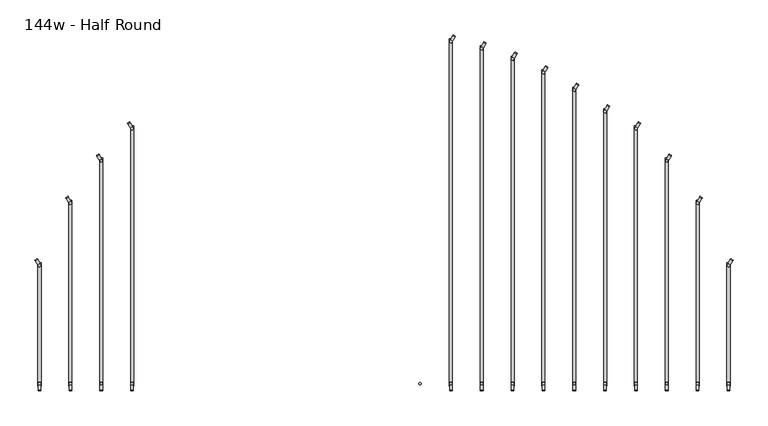
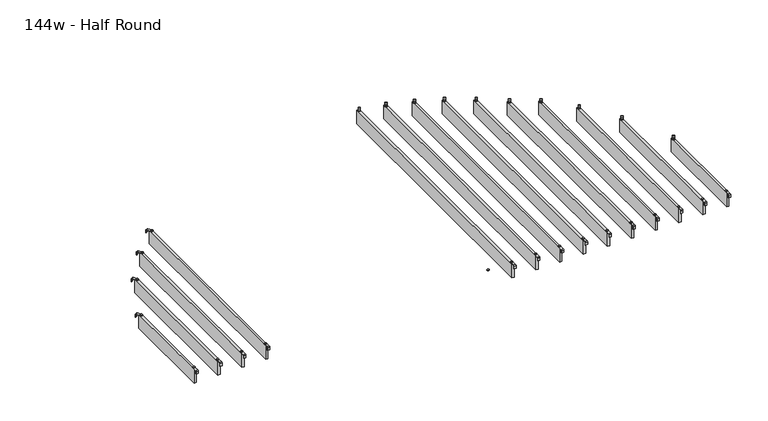
"""IFC4 building model written with IfcOpenShell, lengths in millimetres: furniture geometry, 144w - Half Round."""

from ifc_helpers import new_model, si_unit, point, frame, frame_2d, origin, place, context, project, spatial, polyline, circle_curve, trimmed, segment, composite_curve, outline, extrude, source, transform, mapped, element, save


def furniture_144w_half_round_df257ffa(model_context):
    return source(origin(), model_context, "Body", "SweptSolid", [
        extrude(outline(composite_curve([segment(trimmed(circle_curve(frame_2d((-1.0160034, 0.0159996)), 1.016), [point((-1.0160034, -1.0000004))], [point((-3.4e-06, 0.0159996))], True, "CARTESIAN"), True, "CONTINUOUS"), segment(polyline([(-3.4e-06, 0.0159996), (-3.4e-06, 36.7785168), (2.5329992, 36.7785168), (2.5329992, 0.022999)]), True, "CONTINUOUS"), segment(trimmed(circle_curve(frame_2d((-1.1500008, 0.022999)), 3.683), [point((2.5329992, 0.022999))], [point((-1.1500008, -3.660001))], False, "CARTESIAN"), True, "CONTINUOUS"), segment(polyline([(-1.1500008, -3.660001), (-19.0498319, -3.660001), (-19.0498319, -1.0000004), (-1.0160034, -1.0000004)]), True, "CONTINUOUS")], self_intersect=False)), frame((-1684.5791648, -1611.2848262, 2438.4), z_axis=(0.8660254037843622, 0.5000000000001326, 0.0), x_axis=(0.0, 0.0, 1.0)), (0.0, 0.0, 1.0), 13.0000002),
        extrude(outline(composite_curve([segment(trimmed(circle_curve(frame_2d((-1663.7, -2218.9346)), 5.9838099), [point((-1663.7, -2212.9507901))], [point((-1663.7, -2224.9184099))], False, "CARTESIAN"), True, "CONTINUOUS"), segment(trimmed(circle_curve(frame_2d((-1663.7, -2218.9346)), 5.9838099), [point((-1663.7, -2224.9184099))], [point((-1663.7, -2212.9507901))], False, "CARTESIAN"), True, "CONTINUOUS")], self_intersect=False)), frame((0.0, 0.0, 2440.9329992), z_axis=(0.0, 0.0, 1.0), x_axis=(1.0, 0.0, 0.0)), (0.0, 0.0, 1.0), 3.4400008),
        extrude(outline(composite_curve([segment(trimmed(circle_curve(frame_2d((-1663.7, -1634.4486)), 5.9838099), [point((-1663.7, -1640.4324099))], [point((-1663.7, -1628.4647901))], False, "CARTESIAN"), True, "CONTINUOUS"), segment(trimmed(circle_curve(frame_2d((-1663.7, -1634.4486)), 5.9838099), [point((-1663.7, -1628.4647901))], [point((-1663.7, -1640.4324099))], False, "CARTESIAN"), True, "CONTINUOUS")], self_intersect=False)), frame((0.0, 0.0, 2440.9329992), z_axis=(0.0, 0.0, 1.0), x_axis=(1.0, 0.0, 0.0)), (0.0, 0.0, 1.0), 3.4400008),
        extrude(outline(composite_curve([segment(polyline([(-2253.0946, 2419.2231711), (-2253.0946, 2437.2499992)]), True, "CONTINUOUS"), segment(trimmed(circle_curve(frame_2d((-2249.4116, 2437.2499992)), 3.683), [point((-2253.0946, 2437.2499992))], [point((-2249.4116, 2440.9329992))], False, "CARTESIAN"), True, "CONTINUOUS"), segment(polyline([(-2249.4116, 2440.9329992), (-2212.4346, 2440.9329992), (-2212.4346, 2438.2729997), (-2249.4251568, 2438.2729997)]), True, "CONTINUOUS"), segment(trimmed(circle_curve(frame_2d((-2249.4251568, 2437.2635571)), 1.0094425), [point((-2249.4251568, 2438.2729997))], [point((-2250.4345993, 2437.2635571))], True, "CARTESIAN"), True, "CONTINUOUS"), segment(polyline([(-2250.4345993, 2437.2635571), (-2250.4345993, 2419.2231711), (-2253.0946, 2419.2231711)]), True, "CONTINUOUS")], self_intersect=False)), frame((-1670.1930003, 0.0, 0.0), z_axis=(1.0, 0.0, 0.0), x_axis=(0.0, 1.0, 0.0)), (0.0, 0.0, 1.0), 13.0),
        extrude(outline(polyline([(-1671.193, -1620.7486), (-1656.207, -1620.7486), (-1656.207, -2232.6346), (-1671.193, -2232.6346), (-1671.193, -1620.7486)])), frame((0.0, 0.0, 2346.198), z_axis=(0.0, 0.0, 1.0), x_axis=(1.0, 0.0, 0.0)), (0.0, 0.0, 1.0), 92.202),
        extrude(outline(composite_curve([segment(trimmed(circle_curve(frame_2d((-1.0160034, 0.0159996)), 1.016), [point((-1.0160034, -1.0000004))], [point((-3.4e-06, 0.0159996))], True, "CARTESIAN"), True, "CONTINUOUS"), segment(polyline([(-3.4e-06, 0.0159996), (-3.4e-06, 36.7785168), (2.5329992, 36.7785168), (2.5329992, 0.022999)]), True, "CONTINUOUS"), segment(trimmed(circle_curve(frame_2d((-1.1500008, 0.022999)), 3.683), [point((2.5329992, 0.022999))], [point((-1.1500008, -3.660001))], False, "CARTESIAN"), True, "CONTINUOUS"), segment(polyline([(-1.1500008, -3.660001), (-19.0498319, -3.660001), (-19.0498319, -1.0000004), (-1.0160034, -1.0000004)]), True, "CONTINUOUS")], self_intersect=False)), frame((-1532.1791648, -1303.1828262, 2438.4), z_axis=(0.8660254037843622, 0.5000000000001326, 0.0), x_axis=(0.0, 0.0, 1.0)), (0.0, 0.0, 1.0), 13.0000002),
        extrude(outline(composite_curve([segment(trimmed(circle_curve(frame_2d((-1511.3, -2218.9346)), 5.9838099), [point((-1511.3, -2212.9507901))], [point((-1511.3, -2224.9184099))], False, "CARTESIAN"), True, "CONTINUOUS"), segment(trimmed(circle_curve(frame_2d((-1511.3, -2218.9346)), 5.9838099), [point((-1511.3, -2224.9184099))], [point((-1511.3, -2212.9507901))], False, "CARTESIAN"), True, "CONTINUOUS")], self_intersect=False)), frame((0.0, 0.0, 2440.9329992), z_axis=(0.0, 0.0, 1.0), x_axis=(1.0, 0.0, 0.0)), (0.0, 0.0, 1.0), 3.4400008),
        extrude(outline(composite_curve([segment(trimmed(circle_curve(frame_2d((-1511.3, -1326.3466)), 5.9838099), [point((-1511.3, -1332.3304099))], [point((-1511.3, -1320.3627901))], False, "CARTESIAN"), True, "CONTINUOUS"), segment(trimmed(circle_curve(frame_2d((-1511.3, -1326.3466)), 5.9838099), [point((-1511.3, -1320.3627901))], [point((-1511.3, -1332.3304099))], False, "CARTESIAN"), True, "CONTINUOUS")], self_intersect=False)), frame((0.0, 0.0, 2440.9329992), z_axis=(0.0, 0.0, 1.0), x_axis=(1.0, 0.0, 0.0)), (0.0, 0.0, 1.0), 3.4400008),
        extrude(outline(composite_curve([segment(polyline([(-2253.0946, 2419.2231711), (-2253.0946, 2437.2499992)]), True, "CONTINUOUS"), segment(trimmed(circle_curve(frame_2d((-2249.4116, 2437.2499992)), 3.683), [point((-2253.0946, 2437.2499992))], [point((-2249.4116, 2440.9329992))], False, "CARTESIAN"), True, "CONTINUOUS"), segment(polyline([(-2249.4116, 2440.9329992), (-2212.4346, 2440.9329992), (-2212.4346, 2438.2729997), (-2249.4251568, 2438.2729997)]), True, "CONTINUOUS"), segment(trimmed(circle_curve(frame_2d((-2249.4251568, 2437.2635571)), 1.0094425), [point((-2249.4251568, 2438.2729997))], [point((-2250.4345993, 2437.2635571))], True, "CARTESIAN"), True, "CONTINUOUS"), segment(polyline([(-2250.4345993, 2437.2635571), (-2250.4345993, 2419.2231711), (-2253.0946, 2419.2231711)]), True, "CONTINUOUS")], self_intersect=False)), frame((-1517.7930003, 0.0, 0.0), z_axis=(1.0, 0.0, 0.0), x_axis=(0.0, 1.0, 0.0)), (0.0, 0.0, 1.0), 13.0),
        extrude(outline(polyline([(-1518.793, -1312.6466), (-1503.807, -1312.6466), (-1503.807, -2232.6346), (-1518.793, -2232.6346), (-1518.793, -1312.6466)])), frame((0.0, 0.0, 2346.198), z_axis=(0.0, 0.0, 1.0), x_axis=(1.0, 0.0, 0.0)), (0.0, 0.0, 1.0), 92.202),
        extrude(outline(composite_curve([segment(trimmed(circle_curve(frame_2d((-1.0160034, 0.0159996)), 1.016), [point((-1.0160034, -1.0000004))], [point((-3.4e-06, 0.0159996))], True, "CARTESIAN"), True, "CONTINUOUS"), segment(polyline([(-3.4e-06, 0.0159996), (-3.4e-06, 36.7785168), (2.5329992, 36.7785168), (2.5329992, 0.022999)]), True, "CONTINUOUS"), segment(trimmed(circle_curve(frame_2d((-1.1500008, 0.022999)), 3.683), [point((2.5329992, 0.022999))], [point((-1.1500008, -3.660001))], False, "CARTESIAN"), True, "CONTINUOUS"), segment(polyline([(-1.1500008, -3.660001), (-19.0498319, -3.660001), (-19.0498319, -1.0000004), (-1.0160034, -1.0000004)]), True, "CONTINUOUS")], self_intersect=False)), frame((-1379.7791648, -1094.2424262, 2438.4), z_axis=(0.8660254037843622, 0.5000000000001326, 0.0), x_axis=(0.0, 0.0, 1.0)), (0.0, 0.0, 1.0), 13.0000002),
        extrude(outline(composite_curve([segment(trimmed(circle_curve(frame_2d((-1358.9, -2218.9346)), 5.9838099), [point((-1358.9, -2212.9507901))], [point((-1358.9, -2224.9184099))], False, "CARTESIAN"), True, "CONTINUOUS"), segment(trimmed(circle_curve(frame_2d((-1358.9, -2218.9346)), 5.9838099), [point((-1358.9, -2224.9184099))], [point((-1358.9, -2212.9507901))], False, "CARTESIAN"), True, "CONTINUOUS")], self_intersect=False)), frame((0.0, 0.0, 2440.9329992), z_axis=(0.0, 0.0, 1.0), x_axis=(1.0, 0.0, 0.0)), (0.0, 0.0, 1.0), 3.4400008),
        extrude(outline(composite_curve([segment(trimmed(circle_curve(frame_2d((-1358.9, -1117.4062)), 5.9838099), [point((-1358.9, -1123.3900099))], [point((-1358.9, -1111.4223901))], False, "CARTESIAN"), True, "CONTINUOUS"), segment(trimmed(circle_curve(frame_2d((-1358.9, -1117.4062)), 5.9838099), [point((-1358.9, -1111.4223901))], [point((-1358.9, -1123.3900099))], False, "CARTESIAN"), True, "CONTINUOUS")], self_intersect=False)), frame((0.0, 0.0, 2440.9329992), z_axis=(0.0, 0.0, 1.0), x_axis=(1.0, 0.0, 0.0)), (0.0, 0.0, 1.0), 3.4400008),
        extrude(outline(composite_curve([segment(polyline([(-2253.0946, 2419.2231711), (-2253.0946, 2437.2499992)]), True, "CONTINUOUS"), segment(trimmed(circle_curve(frame_2d((-2249.4116, 2437.2499992)), 3.683), [point((-2253.0946, 2437.2499992))], [point((-2249.4116, 2440.9329992))], False, "CARTESIAN"), True, "CONTINUOUS"), segment(polyline([(-2249.4116, 2440.9329992), (-2212.4346, 2440.9329992), (-2212.4346, 2438.2729997), (-2249.4251568, 2438.2729997)]), True, "CONTINUOUS"), segment(trimmed(circle_curve(frame_2d((-2249.4251568, 2437.2635571)), 1.0094425), [point((-2249.4251568, 2438.2729997))], [point((-2250.4345993, 2437.2635571))], True, "CARTESIAN"), True, "CONTINUOUS"), segment(polyline([(-2250.4345993, 2437.2635571), (-2250.4345993, 2419.2231711), (-2253.0946, 2419.2231711)]), True, "CONTINUOUS")], self_intersect=False)), frame((-1365.3930003, 0.0, 0.0), z_axis=(1.0, 0.0, 0.0), x_axis=(0.0, 1.0, 0.0)), (0.0, 0.0, 1.0), 13.0),
        extrude(outline(polyline([(-1366.393, -1103.7062), (-1351.407, -1103.7062), (-1351.407, -2232.6346), (-1366.393, -2232.6346), (-1366.393, -1103.7062)])), frame((0.0, 0.0, 2346.198), z_axis=(0.0, 0.0, 1.0), x_axis=(1.0, 0.0, 0.0)), (0.0, 0.0, 1.0), 92.202),
        extrude(outline(composite_curve([segment(trimmed(circle_curve(frame_2d((-1.0160034, 0.0159996)), 1.016), [point((-1.0160034, -1.0000004))], [point((-3.4e-06, 0.0159996))], True, "CARTESIAN"), True, "CONTINUOUS"), segment(polyline([(-3.4e-06, 0.0159996), (-3.4e-06, 36.7785168), (2.5329992, 36.7785168), (2.5329992, 0.022999)]), True, "CONTINUOUS"), segment(trimmed(circle_curve(frame_2d((-1.1500008, 0.022999)), 3.683), [point((2.5329992, 0.022999))], [point((-1.1500008, -3.660001))], False, "CARTESIAN"), True, "CONTINUOUS"), segment(polyline([(-1.1500008, -3.660001), (-19.0498319, -3.660001), (-19.0498319, -1.0000004), (-1.0160034, -1.0000004)]), True, "CONTINUOUS")], self_intersect=False)), frame((-1227.3791648, -935.7464262, 2438.4), z_axis=(0.8660254037843622, 0.5000000000001326, 0.0), x_axis=(0.0, 0.0, 1.0)), (0.0, 0.0, 1.0), 13.0000002),
        extrude(outline(composite_curve([segment(trimmed(circle_curve(frame_2d((-1206.5, -2218.9346)), 5.9838099), [point((-1206.5, -2212.9507901))], [point((-1206.5, -2224.9184099))], False, "CARTESIAN"), True, "CONTINUOUS"), segment(trimmed(circle_curve(frame_2d((-1206.5, -2218.9346)), 5.9838099), [point((-1206.5, -2224.9184099))], [point((-1206.5, -2212.9507901))], False, "CARTESIAN"), True, "CONTINUOUS")], self_intersect=False)), frame((0.0, 0.0, 2440.9329992), z_axis=(0.0, 0.0, 1.0), x_axis=(1.0, 0.0, 0.0)), (0.0, 0.0, 1.0), 3.4400008),
        extrude(outline(composite_curve([segment(trimmed(circle_curve(frame_2d((-1206.5, -958.9102)), 5.9838099), [point((-1206.5, -964.8940099))], [point((-1206.5, -952.9263901))], False, "CARTESIAN"), True, "CONTINUOUS"), segment(trimmed(circle_curve(frame_2d((-1206.5, -958.9102)), 5.9838099), [point((-1206.5, -952.9263901))], [point((-1206.5, -964.8940099))], False, "CARTESIAN"), True, "CONTINUOUS")], self_intersect=False)), frame((0.0, 0.0, 2440.9329992), z_axis=(0.0, 0.0, 1.0), x_axis=(1.0, 0.0, 0.0)), (0.0, 0.0, 1.0), 3.4400008),
        extrude(outline(composite_curve([segment(polyline([(-2253.0946, 2419.2231711), (-2253.0946, 2437.2499992)]), True, "CONTINUOUS"), segment(trimmed(circle_curve(frame_2d((-2249.4116, 2437.2499992)), 3.683), [point((-2253.0946, 2437.2499992))], [point((-2249.4116, 2440.9329992))], False, "CARTESIAN"), True, "CONTINUOUS"), segment(polyline([(-2249.4116, 2440.9329992), (-2212.4346, 2440.9329992), (-2212.4346, 2438.2729997), (-2249.4251568, 2438.2729997)]), True, "CONTINUOUS"), segment(trimmed(circle_curve(frame_2d((-2249.4251568, 2437.2635571)), 1.0094425), [point((-2249.4251568, 2438.2729997))], [point((-2250.4345993, 2437.2635571))], True, "CARTESIAN"), True, "CONTINUOUS"), segment(polyline([(-2250.4345993, 2437.2635571), (-2250.4345993, 2419.2231711), (-2253.0946, 2419.2231711)]), True, "CONTINUOUS")], self_intersect=False)), frame((-1212.9930003, 0.0, 0.0), z_axis=(1.0, 0.0, 0.0), x_axis=(0.0, 1.0, 0.0)), (0.0, 0.0, 1.0), 13.0),
        extrude(outline(polyline([(-1213.993, -945.2102), (-1199.007, -945.2102), (-1199.007, -2232.6346), (-1213.993, -2232.6346), (-1213.993, -945.2102)])), frame((0.0, 0.0, 2346.198), z_axis=(0.0, 0.0, 1.0), x_axis=(1.0, 0.0, 0.0)), (0.0, 0.0, 1.0), 92.202),
        extrude(outline(composite_curve([segment(polyline([(-1.0160034, 1.0000004), (-19.0498319, 1.0000004), (-19.0498319, 3.660001), (-1.1500008, 3.660001)]), True, "CONTINUOUS"), segment(trimmed(circle_curve(frame_2d((-1.1500008, -0.022999)), 3.683), [point((-1.1500008, 3.660001))], [point((2.5329992, -0.022999))], False, "CARTESIAN"), True, "CONTINUOUS"), segment(polyline([(2.5329992, -0.022999), (2.5329992, -36.7785168), (-3.4e-06, -36.7785168), (-3.4e-06, -0.0159996)]), True, "CONTINUOUS"), segment(trimmed(circle_curve(frame_2d((-1.0160034, -0.0159996)), 1.016), [point((-3.4e-06, -0.0159996))], [point((-1.0160034, 1.0000004))], True, "CARTESIAN"), True, "CONTINUOUS")], self_intersect=False)), frame((1760.7791648, -1611.2848262, 2438.4), z_axis=(-0.8660254037843622, 0.5000000000001326, 0.0), x_axis=(0.0, 0.0, 1.0)), (0.0, 0.0, 1.0), 13.0000002),
        extrude(outline(composite_curve([segment(trimmed(circle_curve(frame_2d((1739.9, -2218.9346)), 5.9838099), [point((1739.9, -2212.9507901))], [point((1739.9, -2224.9184099))], False, "CARTESIAN"), True, "CONTINUOUS"), segment(trimmed(circle_curve(frame_2d((1739.9, -2218.9346)), 5.9838099), [point((1739.9, -2224.9184099))], [point((1739.9, -2212.9507901))], False, "CARTESIAN"), True, "CONTINUOUS")], self_intersect=False)), frame((0.0, 0.0, 2440.9329992), z_axis=(0.0, 0.0, 1.0), x_axis=(1.0, 0.0, 0.0)), (0.0, 0.0, 1.0), 3.4400008),
        extrude(outline(composite_curve([segment(trimmed(circle_curve(frame_2d((1739.9, -1634.4486)), 5.9838099), [point((1739.9, -1640.4324099))], [point((1739.9, -1628.4647901))], False, "CARTESIAN"), True, "CONTINUOUS"), segment(trimmed(circle_curve(frame_2d((1739.9, -1634.4486)), 5.9838099), [point((1739.9, -1628.4647901))], [point((1739.9, -1640.4324099))], False, "CARTESIAN"), True, "CONTINUOUS")], self_intersect=False)), frame((0.0, 0.0, 2440.9329992), z_axis=(0.0, 0.0, 1.0), x_axis=(1.0, 0.0, 0.0)), (0.0, 0.0, 1.0), 3.4400008),
        extrude(outline(composite_curve([segment(polyline([(-2253.0946, 2419.2231711), (-2253.0946, 2437.2499992)]), True, "CONTINUOUS"), segment(trimmed(circle_curve(frame_2d((-2249.4116, 2437.2499992)), 3.683), [point((-2253.0946, 2437.2499992))], [point((-2249.4116, 2440.9329992))], False, "CARTESIAN"), True, "CONTINUOUS"), segment(polyline([(-2249.4116, 2440.9329992), (-2212.4346, 2440.9329992), (-2212.4346, 2438.2729997), (-2249.4251568, 2438.2729997)]), True, "CONTINUOUS"), segment(trimmed(circle_curve(frame_2d((-2249.4251568, 2437.2635571)), 1.0094425), [point((-2249.4251568, 2438.2729997))], [point((-2250.4345993, 2437.2635571))], True, "CARTESIAN"), True, "CONTINUOUS"), segment(polyline([(-2250.4345993, 2437.2635571), (-2250.4345993, 2419.2231711), (-2253.0946, 2419.2231711)]), True, "CONTINUOUS")], self_intersect=False)), frame((1733.3930003, 0.0, 0.0), z_axis=(1.0, 0.0, 0.0), x_axis=(0.0, 1.0, 0.0)), (0.0, 0.0, 1.0), 13.0),
        extrude(outline(polyline([(1747.393, -1620.7486), (1747.393, -2232.6346), (1732.407, -2232.6346), (1732.407, -1620.7486), (1747.393, -1620.7486)])), frame((0.0, 0.0, 2346.198), z_axis=(0.0, 0.0, 1.0), x_axis=(1.0, 0.0, 0.0)), (0.0, 0.0, 1.0), 92.202),
        extrude(outline(composite_curve([segment(polyline([(-1.0160034, 1.0000004), (-19.0498319, 1.0000004), (-19.0498319, 3.660001), (-1.1500008, 3.660001)]), True, "CONTINUOUS"), segment(trimmed(circle_curve(frame_2d((-1.1500008, -0.022999)), 3.683), [point((-1.1500008, 3.660001))], [point((2.5329992, -0.022999))], False, "CARTESIAN"), True, "CONTINUOUS"), segment(polyline([(2.5329992, -0.022999), (2.5329992, -36.7785168), (-3.4e-06, -36.7785168), (-3.4e-06, -0.0159996)]), True, "CONTINUOUS"), segment(trimmed(circle_curve(frame_2d((-1.0160034, -0.0159996)), 1.016), [point((-3.4e-06, -0.0159996))], [point((-1.0160034, 1.0000004))], True, "CARTESIAN"), True, "CONTINUOUS")], self_intersect=False)), frame((1608.3791648, -1303.1828262, 2438.4), z_axis=(-0.8660254037843622, 0.5000000000001326, 0.0), x_axis=(0.0, 0.0, 1.0)), (0.0, 0.0, 1.0), 13.0000002),
        extrude(outline(composite_curve([segment(trimmed(circle_curve(frame_2d((1587.5, -2218.9346)), 5.9838099), [point((1587.5, -2212.9507901))], [point((1587.5, -2224.9184099))], False, "CARTESIAN"), True, "CONTINUOUS"), segment(trimmed(circle_curve(frame_2d((1587.5, -2218.9346)), 5.9838099), [point((1587.5, -2224.9184099))], [point((1587.5, -2212.9507901))], False, "CARTESIAN"), True, "CONTINUOUS")], self_intersect=False)), frame((0.0, 0.0, 2440.9329992), z_axis=(0.0, 0.0, 1.0), x_axis=(1.0, 0.0, 0.0)), (0.0, 0.0, 1.0), 3.4400008),
        extrude(outline(composite_curve([segment(trimmed(circle_curve(frame_2d((1587.5, -1326.3466)), 5.9838099), [point((1587.5, -1332.3304099))], [point((1587.5, -1320.3627901))], False, "CARTESIAN"), True, "CONTINUOUS"), segment(trimmed(circle_curve(frame_2d((1587.5, -1326.3466)), 5.9838099), [point((1587.5, -1320.3627901))], [point((1587.5, -1332.3304099))], False, "CARTESIAN"), True, "CONTINUOUS")], self_intersect=False)), frame((0.0, 0.0, 2440.9329992), z_axis=(0.0, 0.0, 1.0), x_axis=(1.0, 0.0, 0.0)), (0.0, 0.0, 1.0), 3.4400008),
        extrude(outline(composite_curve([segment(polyline([(-2253.0946, 2419.2231711), (-2253.0946, 2437.2499992)]), True, "CONTINUOUS"), segment(trimmed(circle_curve(frame_2d((-2249.4116, 2437.2499992)), 3.683), [point((-2253.0946, 2437.2499992))], [point((-2249.4116, 2440.9329992))], False, "CARTESIAN"), True, "CONTINUOUS"), segment(polyline([(-2249.4116, 2440.9329992), (-2212.4346, 2440.9329992), (-2212.4346, 2438.2729997), (-2249.4251568, 2438.2729997)]), True, "CONTINUOUS"), segment(trimmed(circle_curve(frame_2d((-2249.4251568, 2437.2635571)), 1.0094425), [point((-2249.4251568, 2438.2729997))], [point((-2250.4345993, 2437.2635571))], True, "CARTESIAN"), True, "CONTINUOUS"), segment(polyline([(-2250.4345993, 2437.2635571), (-2250.4345993, 2419.2231711), (-2253.0946, 2419.2231711)]), True, "CONTINUOUS")], self_intersect=False)), frame((1580.9930003, 0.0, 0.0), z_axis=(1.0, 0.0, 0.0), x_axis=(0.0, 1.0, 0.0)), (0.0, 0.0, 1.0), 13.0),
        extrude(outline(polyline([(1594.993, -1312.6466), (1594.993, -2232.6346), (1580.007, -2232.6346), (1580.007, -1312.6466), (1594.993, -1312.6466)])), frame((0.0, 0.0, 2346.198), z_axis=(0.0, 0.0, 1.0), x_axis=(1.0, 0.0, 0.0)), (0.0, 0.0, 1.0), 92.202),
        extrude(outline(composite_curve([segment(polyline([(-1.0160034, 1.0000004), (-19.0498319, 1.0000004), (-19.0498319, 3.660001), (-1.1500008, 3.660001)]), True, "CONTINUOUS"), segment(trimmed(circle_curve(frame_2d((-1.1500008, -0.022999)), 3.683), [point((-1.1500008, 3.660001))], [point((2.5329992, -0.022999))], False, "CARTESIAN"), True, "CONTINUOUS"), segment(polyline([(2.5329992, -0.022999), (2.5329992, -36.7785168), (-3.4e-06, -36.7785168), (-3.4e-06, -0.0159996)]), True, "CONTINUOUS"), segment(trimmed(circle_curve(frame_2d((-1.0160034, -0.0159996)), 1.016), [point((-3.4e-06, -0.0159996))], [point((-1.0160034, 1.0000004))], True, "CARTESIAN"), True, "CONTINUOUS")], self_intersect=False)), frame((1455.9791648, -1094.2424262, 2438.4), z_axis=(-0.8660254037843622, 0.5000000000001326, 0.0), x_axis=(0.0, 0.0, 1.0)), (0.0, 0.0, 1.0), 13.0000002),
        extrude(outline(composite_curve([segment(trimmed(circle_curve(frame_2d((1435.1, -2218.9346)), 5.9838099), [point((1435.1, -2212.9507901))], [point((1435.1, -2224.9184099))], False, "CARTESIAN"), True, "CONTINUOUS"), segment(trimmed(circle_curve(frame_2d((1435.1, -2218.9346)), 5.9838099), [point((1435.1, -2224.9184099))], [point((1435.1, -2212.9507901))], False, "CARTESIAN"), True, "CONTINUOUS")], self_intersect=False)), frame((0.0, 0.0, 2440.9329992), z_axis=(0.0, 0.0, 1.0), x_axis=(1.0, 0.0, 0.0)), (0.0, 0.0, 1.0), 3.4400008),
        extrude(outline(composite_curve([segment(trimmed(circle_curve(frame_2d((1435.1, -1117.4062)), 5.9838099), [point((1435.1, -1123.3900099))], [point((1435.1, -1111.4223901))], False, "CARTESIAN"), True, "CONTINUOUS"), segment(trimmed(circle_curve(frame_2d((1435.1, -1117.4062)), 5.9838099), [point((1435.1, -1111.4223901))], [point((1435.1, -1123.3900099))], False, "CARTESIAN"), True, "CONTINUOUS")], self_intersect=False)), frame((0.0, 0.0, 2440.9329992), z_axis=(0.0, 0.0, 1.0), x_axis=(1.0, 0.0, 0.0)), (0.0, 0.0, 1.0), 3.4400008),
        extrude(outline(composite_curve([segment(polyline([(-2253.0946, 2419.2231711), (-2253.0946, 2437.2499992)]), True, "CONTINUOUS"), segment(trimmed(circle_curve(frame_2d((-2249.4116, 2437.2499992)), 3.683), [point((-2253.0946, 2437.2499992))], [point((-2249.4116, 2440.9329992))], False, "CARTESIAN"), True, "CONTINUOUS"), segment(polyline([(-2249.4116, 2440.9329992), (-2212.4346, 2440.9329992), (-2212.4346, 2438.2729997), (-2249.4251568, 2438.2729997)]), True, "CONTINUOUS"), segment(trimmed(circle_curve(frame_2d((-2249.4251568, 2437.2635571)), 1.0094425), [point((-2249.4251568, 2438.2729997))], [point((-2250.4345993, 2437.2635571))], True, "CARTESIAN"), True, "CONTINUOUS"), segment(polyline([(-2250.4345993, 2437.2635571), (-2250.4345993, 2419.2231711), (-2253.0946, 2419.2231711)]), True, "CONTINUOUS")], self_intersect=False)), frame((1428.5930003, 0.0, 0.0), z_axis=(1.0, 0.0, 0.0), x_axis=(0.0, 1.0, 0.0)), (0.0, 0.0, 1.0), 13.0),
        extrude(outline(polyline([(1442.593, -1103.7062), (1442.593, -2232.6346), (1427.607, -2232.6346), (1427.607, -1103.7062), (1442.593, -1103.7062)])), frame((0.0, 0.0, 2346.198), z_axis=(0.0, 0.0, 1.0), x_axis=(1.0, 0.0, 0.0)), (0.0, 0.0, 1.0), 92.202),
        extrude(outline(composite_curve([segment(polyline([(-1.0160034, 1.0000004), (-19.0498319, 1.0000004), (-19.0498319, 3.660001), (-1.1500008, 3.660001)]), True, "CONTINUOUS"), segment(trimmed(circle_curve(frame_2d((-1.1500008, -0.022999)), 3.683), [point((-1.1500008, 3.660001))], [point((2.5329992, -0.022999))], False, "CARTESIAN"), True, "CONTINUOUS"), segment(polyline([(2.5329992, -0.022999), (2.5329992, -36.7785168), (-3.4e-06, -36.7785168), (-3.4e-06, -0.0159996)]), True, "CONTINUOUS"), segment(trimmed(circle_curve(frame_2d((-1.0160034, -0.0159996)), 1.016), [point((-3.4e-06, -0.0159996))], [point((-1.0160034, 1.0000004))], True, "CARTESIAN"), True, "CONTINUOUS")], self_intersect=False)), frame((1303.5791648, -935.7464262, 2438.4), z_axis=(-0.8660254037843622, 0.5000000000001326, 0.0), x_axis=(0.0, 0.0, 1.0)), (0.0, 0.0, 1.0), 13.0000002),
        extrude(outline(composite_curve([segment(trimmed(circle_curve(frame_2d((1282.7, -2218.9346)), 5.9838099), [point((1282.7, -2212.9507901))], [point((1282.7, -2224.9184099))], False, "CARTESIAN"), True, "CONTINUOUS"), segment(trimmed(circle_curve(frame_2d((1282.7, -2218.9346)), 5.9838099), [point((1282.7, -2224.9184099))], [point((1282.7, -2212.9507901))], False, "CARTESIAN"), True, "CONTINUOUS")], self_intersect=False)), frame((0.0, 0.0, 2440.9329992), z_axis=(0.0, 0.0, 1.0), x_axis=(1.0, 0.0, 0.0)), (0.0, 0.0, 1.0), 3.4400008),
        extrude(outline(composite_curve([segment(trimmed(circle_curve(frame_2d((1282.7, -958.9102)), 5.9838099), [point((1282.7, -964.8940099))], [point((1282.7, -952.9263901))], False, "CARTESIAN"), True, "CONTINUOUS"), segment(trimmed(circle_curve(frame_2d((1282.7, -958.9102)), 5.9838099), [point((1282.7, -952.9263901))], [point((1282.7, -964.8940099))], False, "CARTESIAN"), True, "CONTINUOUS")], self_intersect=False)), frame((0.0, 0.0, 2440.9329992), z_axis=(0.0, 0.0, 1.0), x_axis=(1.0, 0.0, 0.0)), (0.0, 0.0, 1.0), 3.4400008),
        extrude(outline(composite_curve([segment(polyline([(-2253.0946, 2419.2231711), (-2253.0946, 2437.2499992)]), True, "CONTINUOUS"), segment(trimmed(circle_curve(frame_2d((-2249.4116, 2437.2499992)), 3.683), [point((-2253.0946, 2437.2499992))], [point((-2249.4116, 2440.9329992))], False, "CARTESIAN"), True, "CONTINUOUS"), segment(polyline([(-2249.4116, 2440.9329992), (-2212.4346, 2440.9329992), (-2212.4346, 2438.2729997), (-2249.4251568, 2438.2729997)]), True, "CONTINUOUS"), segment(trimmed(circle_curve(frame_2d((-2249.4251568, 2437.2635571)), 1.0094425), [point((-2249.4251568, 2438.2729997))], [point((-2250.4345993, 2437.2635571))], True, "CARTESIAN"), True, "CONTINUOUS"), segment(polyline([(-2250.4345993, 2437.2635571), (-2250.4345993, 2419.2231711), (-2253.0946, 2419.2231711)]), True, "CONTINUOUS")], self_intersect=False)), frame((1276.1930003, 0.0, 0.0), z_axis=(1.0, 0.0, 0.0), x_axis=(0.0, 1.0, 0.0)), (0.0, 0.0, 1.0), 13.0),
        extrude(outline(polyline([(1290.193, -945.2102), (1290.193, -2232.6346), (1275.207, -2232.6346), (1275.207, -945.2102), (1290.193, -945.2102)])), frame((0.0, 0.0, 2346.198), z_axis=(0.0, 0.0, 1.0), x_axis=(1.0, 0.0, 0.0)), (0.0, 0.0, 1.0), 92.202),
        extrude(outline(composite_curve([segment(polyline([(-1.0160034, 1.0000004), (-19.0498319, 1.0000004), (-19.0498319, 3.660001), (-1.1500008, 3.660001)]), True, "CONTINUOUS"), segment(trimmed(circle_curve(frame_2d((-1.1500008, -0.022999)), 3.683), [point((-1.1500008, 3.660001))], [point((2.5329992, -0.022999))], False, "CARTESIAN"), True, "CONTINUOUS"), segment(polyline([(2.5329992, -0.022999), (2.5329992, -36.7785168), (-3.4e-06, -36.7785168), (-3.4e-06, -0.0159996)]), True, "CONTINUOUS"), segment(trimmed(circle_curve(frame_2d((-1.0160034, -0.0159996)), 1.016), [point((-3.4e-06, -0.0159996))], [point((-1.0160034, 1.0000004))], True, "CARTESIAN"), True, "CONTINUOUS")], self_intersect=False)), frame((1151.1791648, -850.6564262, 2438.4), z_axis=(-0.8660254037843622, 0.5000000000001326, 0.0), x_axis=(0.0, 0.0, 1.0)), (0.0, 0.0, 1.0), 13.0000002),
        extrude(outline(composite_curve([segment(trimmed(circle_curve(frame_2d((1130.3, -2218.9346)), 5.9838099), [point((1130.3, -2212.9507901))], [point((1130.3, -2224.9184099))], False, "CARTESIAN"), True, "CONTINUOUS"), segment(trimmed(circle_curve(frame_2d((1130.3, -2218.9346)), 5.9838099), [point((1130.3, -2224.9184099))], [point((1130.3, -2212.9507901))], False, "CARTESIAN"), True, "CONTINUOUS")], self_intersect=False)), frame((0.0, 0.0, 2440.9329992), z_axis=(0.0, 0.0, 1.0), x_axis=(1.0, 0.0, 0.0)), (0.0, 0.0, 1.0), 3.4400008),
        extrude(outline(composite_curve([segment(trimmed(circle_curve(frame_2d((1130.3, -873.8202)), 5.9838099), [point((1130.3, -879.8040099))], [point((1130.3, -867.8363901))], False, "CARTESIAN"), True, "CONTINUOUS"), segment(trimmed(circle_curve(frame_2d((1130.3, -873.8202)), 5.9838099), [point((1130.3, -867.8363901))], [point((1130.3, -879.8040099))], False, "CARTESIAN"), True, "CONTINUOUS")], self_intersect=False)), frame((0.0, 0.0, 2440.9329992), z_axis=(0.0, 0.0, 1.0), x_axis=(1.0, 0.0, 0.0)), (0.0, 0.0, 1.0), 3.4400008),
        extrude(outline(composite_curve([segment(polyline([(-2253.0946, 2419.2231711), (-2253.0946, 2437.2499992)]), True, "CONTINUOUS"), segment(trimmed(circle_curve(frame_2d((-2249.4116, 2437.2499992)), 3.683), [point((-2253.0946, 2437.2499992))], [point((-2249.4116, 2440.9329992))], False, "CARTESIAN"), True, "CONTINUOUS"), segment(polyline([(-2249.4116, 2440.9329992), (-2212.4346, 2440.9329992), (-2212.4346, 2438.2729997), (-2249.4251568, 2438.2729997)]), True, "CONTINUOUS"), segment(trimmed(circle_curve(frame_2d((-2249.4251568, 2437.2635571)), 1.0094425), [point((-2249.4251568, 2438.2729997))], [point((-2250.4345993, 2437.2635571))], True, "CARTESIAN"), True, "CONTINUOUS"), segment(polyline([(-2250.4345993, 2437.2635571), (-2250.4345993, 2419.2231711), (-2253.0946, 2419.2231711)]), True, "CONTINUOUS")], self_intersect=False)), frame((1123.7930003, 0.0, 0.0), z_axis=(1.0, 0.0, 0.0), x_axis=(0.0, 1.0, 0.0)), (0.0, 0.0, 1.0), 13.0),
        extrude(outline(polyline([(1137.793, -860.1202), (1137.793, -2232.6346), (1122.807, -2232.6346), (1122.807, -860.1202), (1137.793, -860.1202)])), frame((0.0, 0.0, 2346.198), z_axis=(0.0, 0.0, 1.0), x_axis=(1.0, 0.0, 0.0)), (0.0, 0.0, 1.0), 92.202),
        extrude(outline(composite_curve([segment(polyline([(-1.0160034, 1.0000004), (-19.0498319, 1.0000004), (-19.0498319, 3.660001), (-1.1500008, 3.660001)]), True, "CONTINUOUS"), segment(trimmed(circle_curve(frame_2d((-1.1500008, -0.022999)), 3.683), [point((-1.1500008, 3.660001))], [point((2.5329992, -0.022999))], False, "CARTESIAN"), True, "CONTINUOUS"), segment(polyline([(2.5329992, -0.022999), (2.5329992, -36.7785168), (-3.4e-06, -36.7785168), (-3.4e-06, -0.0159996)]), True, "CONTINUOUS"), segment(trimmed(circle_curve(frame_2d((-1.0160034, -0.0159996)), 1.016), [point((-3.4e-06, -0.0159996))], [point((-1.0160034, 1.0000004))], True, "CARTESIAN"), True, "CONTINUOUS")], self_intersect=False)), frame((998.7791648, -744.8400262, 2438.4), z_axis=(-0.8660254037843622, 0.5000000000001326, 0.0), x_axis=(0.0, 0.0, 1.0)), (0.0, 0.0, 1.0), 13.0000002),
        extrude(outline(composite_curve([segment(trimmed(circle_curve(frame_2d((977.9, -2218.9346)), 5.9838099), [point((977.9, -2212.9507901))], [point((977.9, -2224.9184099))], False, "CARTESIAN"), True, "CONTINUOUS"), segment(trimmed(circle_curve(frame_2d((977.9, -2218.9346)), 5.9838099), [point((977.9, -2224.9184099))], [point((977.9, -2212.9507901))], False, "CARTESIAN"), True, "CONTINUOUS")], self_intersect=False)), frame((0.0, 0.0, 2440.9329992), z_axis=(0.0, 0.0, 1.0), x_axis=(1.0, 0.0, 0.0)), (0.0, 0.0, 1.0), 3.4400008),
        extrude(outline(composite_curve([segment(trimmed(circle_curve(frame_2d((977.9, -768.0038)), 5.9838099), [point((977.9, -773.9876099))], [point((977.9, -762.0199901))], False, "CARTESIAN"), True, "CONTINUOUS"), segment(trimmed(circle_curve(frame_2d((977.9, -768.0038)), 5.9838099), [point((977.9, -762.0199901))], [point((977.9, -773.9876099))], False, "CARTESIAN"), True, "CONTINUOUS")], self_intersect=False)), frame((0.0, 0.0, 2440.9329992), z_axis=(0.0, 0.0, 1.0), x_axis=(1.0, 0.0, 0.0)), (0.0, 0.0, 1.0), 3.4400008),
        extrude(outline(composite_curve([segment(polyline([(-2253.0946, 2419.2231711), (-2253.0946, 2437.2499992)]), True, "CONTINUOUS"), segment(trimmed(circle_curve(frame_2d((-2249.4116, 2437.2499992)), 3.683), [point((-2253.0946, 2437.2499992))], [point((-2249.4116, 2440.9329992))], False, "CARTESIAN"), True, "CONTINUOUS"), segment(polyline([(-2249.4116, 2440.9329992), (-2212.4346, 2440.9329992), (-2212.4346, 2438.2729997), (-2249.4251568, 2438.2729997)]), True, "CONTINUOUS"), segment(trimmed(circle_curve(frame_2d((-2249.4251568, 2437.2635571)), 1.0094425), [point((-2249.4251568, 2438.2729997))], [point((-2250.4345993, 2437.2635571))], True, "CARTESIAN"), True, "CONTINUOUS"), segment(polyline([(-2250.4345993, 2437.2635571), (-2250.4345993, 2419.2231711), (-2253.0946, 2419.2231711)]), True, "CONTINUOUS")], self_intersect=False)), frame((971.3930003, 0.0, 0.0), z_axis=(1.0, 0.0, 0.0), x_axis=(0.0, 1.0, 0.0)), (0.0, 0.0, 1.0), 13.0),
        extrude(outline(polyline([(985.393, -754.3038), (985.393, -2232.6346), (970.407, -2232.6346), (970.407, -754.3038), (985.393, -754.3038)])), frame((0.0, 0.0, 2346.198), z_axis=(0.0, 0.0, 1.0), x_axis=(1.0, 0.0, 0.0)), (0.0, 0.0, 1.0), 92.202),
        extrude(outline(composite_curve([segment(polyline([(-1.0160034, 1.0000004), (-19.0498319, 1.0000004), (-19.0498319, 3.660001), (-1.1500008, 3.660001)]), True, "CONTINUOUS"), segment(trimmed(circle_curve(frame_2d((-1.1500008, -0.022999)), 3.683), [point((-1.1500008, 3.660001))], [point((2.5329992, -0.022999))], False, "CARTESIAN"), True, "CONTINUOUS"), segment(polyline([(2.5329992, -0.022999), (2.5329992, -36.7785168), (-3.4e-06, -36.7785168), (-3.4e-06, -0.0159996)]), True, "CONTINUOUS"), segment(trimmed(circle_curve(frame_2d((-1.0160034, -0.0159996)), 1.016), [point((-3.4e-06, -0.0159996))], [point((-1.0160034, 1.0000004))], True, "CARTESIAN"), True, "CONTINUOUS")], self_intersect=False)), frame((846.3791648, -657.9466262, 2438.4), z_axis=(-0.8660254037843622, 0.5000000000001326, 0.0), x_axis=(0.0, 0.0, 1.0)), (0.0, 0.0, 1.0), 13.0000002),
        extrude(outline(composite_curve([segment(trimmed(circle_curve(frame_2d((825.5, -2218.9346)), 5.9838099), [point((825.5, -2212.9507901))], [point((825.5, -2224.9184099))], False, "CARTESIAN"), True, "CONTINUOUS"), segment(trimmed(circle_curve(frame_2d((825.5, -2218.9346)), 5.9838099), [point((825.5, -2224.9184099))], [point((825.5, -2212.9507901))], False, "CARTESIAN"), True, "CONTINUOUS")], self_intersect=False)), frame((0.0, 0.0, 2440.9329992), z_axis=(0.0, 0.0, 1.0), x_axis=(1.0, 0.0, 0.0)), (0.0, 0.0, 1.0), 3.4400008),
        extrude(outline(composite_curve([segment(trimmed(circle_curve(frame_2d((825.5, -681.1104)), 5.9838099), [point((825.5, -687.0942099))], [point((825.5, -675.1265901))], False, "CARTESIAN"), True, "CONTINUOUS"), segment(trimmed(circle_curve(frame_2d((825.5, -681.1104)), 5.9838099), [point((825.5, -675.1265901))], [point((825.5, -687.0942099))], False, "CARTESIAN"), True, "CONTINUOUS")], self_intersect=False)), frame((0.0, 0.0, 2440.9329992), z_axis=(0.0, 0.0, 1.0), x_axis=(1.0, 0.0, 0.0)), (0.0, 0.0, 1.0), 3.4400008),
        extrude(outline(composite_curve([segment(polyline([(-2253.0946, 2419.2231711), (-2253.0946, 2437.2499992)]), True, "CONTINUOUS"), segment(trimmed(circle_curve(frame_2d((-2249.4116, 2437.2499992)), 3.683), [point((-2253.0946, 2437.2499992))], [point((-2249.4116, 2440.9329992))], False, "CARTESIAN"), True, "CONTINUOUS"), segment(polyline([(-2249.4116, 2440.9329992), (-2212.4346, 2440.9329992), (-2212.4346, 2438.2729997), (-2249.4251568, 2438.2729997)]), True, "CONTINUOUS"), segment(trimmed(circle_curve(frame_2d((-2249.4251568, 2437.2635571)), 1.0094425), [point((-2249.4251568, 2438.2729997))], [point((-2250.4345993, 2437.2635571))], True, "CARTESIAN"), True, "CONTINUOUS"), segment(polyline([(-2250.4345993, 2437.2635571), (-2250.4345993, 2419.2231711), (-2253.0946, 2419.2231711)]), True, "CONTINUOUS")], self_intersect=False)), frame((818.9930003, 0.0, 0.0), z_axis=(1.0, 0.0, 0.0), x_axis=(0.0, 1.0, 0.0)), (0.0, 0.0, 1.0), 13.0),
        extrude(outline(polyline([(832.993, -667.4104), (832.993, -2232.6346), (818.007, -2232.6346), (818.007, -667.4104), (832.993, -667.4104)])), frame((0.0, 0.0, 2346.198), z_axis=(0.0, 0.0, 1.0), x_axis=(1.0, 0.0, 0.0)), (0.0, 0.0, 1.0), 92.202),
        extrude(outline(composite_curve([segment(polyline([(-1.0160034, 1.0000004), (-19.0498319, 1.0000004), (-19.0498319, 3.660001), (-1.1500008, 3.660001)]), True, "CONTINUOUS"), segment(trimmed(circle_curve(frame_2d((-1.1500008, -0.022999)), 3.683), [point((-1.1500008, 3.660001))], [point((2.5329992, -0.022999))], False, "CARTESIAN"), True, "CONTINUOUS"), segment(polyline([(2.5329992, -0.022999), (2.5329992, -36.7785168), (-3.4e-06, -36.7785168), (-3.4e-06, -0.0159996)]), True, "CONTINUOUS"), segment(trimmed(circle_curve(frame_2d((-1.0160034, -0.0159996)), 1.016), [point((-3.4e-06, -0.0159996))], [point((-1.0160034, 1.0000004))], True, "CARTESIAN"), True, "CONTINUOUS")], self_intersect=False)), frame((693.9791648, -590.7890262, 2438.4), z_axis=(-0.8660254037843622, 0.5000000000001326, 0.0), x_axis=(0.0, 0.0, 1.0)), (0.0, 0.0, 1.0), 13.0000002),
        extrude(outline(composite_curve([segment(trimmed(circle_curve(frame_2d((673.1, -2218.9346)), 5.9838099), [point((673.1, -2212.9507901))], [point((673.1, -2224.9184099))], False, "CARTESIAN"), True, "CONTINUOUS"), segment(trimmed(circle_curve(frame_2d((673.1, -2218.9346)), 5.9838099), [point((673.1, -2224.9184099))], [point((673.1, -2212.9507901))], False, "CARTESIAN"), True, "CONTINUOUS")], self_intersect=False)), frame((0.0, 0.0, 2440.9329992), z_axis=(0.0, 0.0, 1.0), x_axis=(1.0, 0.0, 0.0)), (0.0, 0.0, 1.0), 3.4400008),
        extrude(outline(composite_curve([segment(trimmed(circle_curve(frame_2d((673.1, -613.9528)), 5.9838099), [point((673.1, -619.9366099))], [point((673.1, -607.9689901))], False, "CARTESIAN"), True, "CONTINUOUS"), segment(trimmed(circle_curve(frame_2d((673.1, -613.9528)), 5.9838099), [point((673.1, -607.9689901))], [point((673.1, -619.9366099))], False, "CARTESIAN"), True, "CONTINUOUS")], self_intersect=False)), frame((0.0, 0.0, 2440.9329992), z_axis=(0.0, 0.0, 1.0), x_axis=(1.0, 0.0, 0.0)), (0.0, 0.0, 1.0), 3.4400008),
        extrude(outline(composite_curve([segment(polyline([(-2253.0946, 2419.2231711), (-2253.0946, 2437.2499992)]), True, "CONTINUOUS"), segment(trimmed(circle_curve(frame_2d((-2249.4116, 2437.2499992)), 3.683), [point((-2253.0946, 2437.2499992))], [point((-2249.4116, 2440.9329992))], False, "CARTESIAN"), True, "CONTINUOUS"), segment(polyline([(-2249.4116, 2440.9329992), (-2212.4346, 2440.9329992), (-2212.4346, 2438.2729997), (-2249.4251568, 2438.2729997)]), True, "CONTINUOUS"), segment(trimmed(circle_curve(frame_2d((-2249.4251568, 2437.2635571)), 1.0094425), [point((-2249.4251568, 2438.2729997))], [point((-2250.4345993, 2437.2635571))], True, "CARTESIAN"), True, "CONTINUOUS"), segment(polyline([(-2250.4345993, 2437.2635571), (-2250.4345993, 2419.2231711), (-2253.0946, 2419.2231711)]), True, "CONTINUOUS")], self_intersect=False)), frame((666.5930003, 0.0, 0.0), z_axis=(1.0, 0.0, 0.0), x_axis=(0.0, 1.0, 0.0)), (0.0, 0.0, 1.0), 13.0),
        extrude(outline(polyline([(680.593, -600.2528), (680.593, -2232.6346), (665.607, -2232.6346), (665.607, -600.2528), (680.593, -600.2528)])), frame((0.0, 0.0, 2346.198), z_axis=(0.0, 0.0, 1.0), x_axis=(1.0, 0.0, 0.0)), (0.0, 0.0, 1.0), 92.202),
        extrude(outline(composite_curve([segment(polyline([(-1.0160034, 1.0000004), (-19.0498319, 1.0000004), (-19.0498319, 3.660001), (-1.1500008, 3.660001)]), True, "CONTINUOUS"), segment(trimmed(circle_curve(frame_2d((-1.1500008, -0.022999)), 3.683), [point((-1.1500008, 3.660001))], [point((2.5329992, -0.022999))], False, "CARTESIAN"), True, "CONTINUOUS"), segment(polyline([(2.5329992, -0.022999), (2.5329992, -36.7785168), (-3.4e-06, -36.7785168), (-3.4e-06, -0.0159996)]), True, "CONTINUOUS"), segment(trimmed(circle_curve(frame_2d((-1.0160034, -0.0159996)), 1.016), [point((-3.4e-06, -0.0159996))], [point((-1.0160034, 1.0000004))], True, "CARTESIAN"), True, "CONTINUOUS")], self_intersect=False)), frame((541.5791648, -539.4048262, 2438.4), z_axis=(-0.8660254037843622, 0.5000000000001326, 0.0), x_axis=(0.0, 0.0, 1.0)), (0.0, 0.0, 1.0), 13.0000002),
        extrude(outline(composite_curve([segment(trimmed(circle_curve(frame_2d((520.7, -2218.9346)), 5.9838099), [point((520.7, -2212.9507901))], [point((520.7, -2224.9184099))], False, "CARTESIAN"), True, "CONTINUOUS"), segment(trimmed(circle_curve(frame_2d((520.7, -2218.9346)), 5.9838099), [point((520.7, -2224.9184099))], [point((520.7, -2212.9507901))], False, "CARTESIAN"), True, "CONTINUOUS")], self_intersect=False)), frame((0.0, 0.0, 2440.9329992), z_axis=(0.0, 0.0, 1.0), x_axis=(1.0, 0.0, 0.0)), (0.0, 0.0, 1.0), 3.4400008),
        extrude(outline(composite_curve([segment(trimmed(circle_curve(frame_2d((520.7, -562.5686)), 5.9838099), [point((520.7, -568.5524099))], [point((520.7, -556.5847901))], False, "CARTESIAN"), True, "CONTINUOUS"), segment(trimmed(circle_curve(frame_2d((520.7, -562.5686)), 5.9838099), [point((520.7, -556.5847901))], [point((520.7, -568.5524099))], False, "CARTESIAN"), True, "CONTINUOUS")], self_intersect=False)), frame((0.0, 0.0, 2440.9329992), z_axis=(0.0, 0.0, 1.0), x_axis=(1.0, 0.0, 0.0)), (0.0, 0.0, 1.0), 3.4400008),
        extrude(outline(composite_curve([segment(polyline([(-2253.0946, 2419.2231711), (-2253.0946, 2437.2499992)]), True, "CONTINUOUS"), segment(trimmed(circle_curve(frame_2d((-2249.4116, 2437.2499992)), 3.683), [point((-2253.0946, 2437.2499992))], [point((-2249.4116, 2440.9329992))], False, "CARTESIAN"), True, "CONTINUOUS"), segment(polyline([(-2249.4116, 2440.9329992), (-2212.4346, 2440.9329992), (-2212.4346, 2438.2729997), (-2249.4251568, 2438.2729997)]), True, "CONTINUOUS"), segment(trimmed(circle_curve(frame_2d((-2249.4251568, 2437.2635571)), 1.0094425), [point((-2249.4251568, 2438.2729997))], [point((-2250.4345993, 2437.2635571))], True, "CARTESIAN"), True, "CONTINUOUS"), segment(polyline([(-2250.4345993, 2437.2635571), (-2250.4345993, 2419.2231711), (-2253.0946, 2419.2231711)]), True, "CONTINUOUS")], self_intersect=False)), frame((514.1930003, 0.0, 0.0), z_axis=(1.0, 0.0, 0.0), x_axis=(0.0, 1.0, 0.0)), (0.0, 0.0, 1.0), 13.0),
        extrude(outline(polyline([(528.193, -548.8686), (528.193, -2232.6346), (513.207, -2232.6346), (513.207, -548.8686), (528.193, -548.8686)])), frame((0.0, 0.0, 2346.198), z_axis=(0.0, 0.0, 1.0), x_axis=(1.0, 0.0, 0.0)), (0.0, 0.0, 1.0), 92.202),
        extrude(outline(composite_curve([segment(polyline([(-1.0160034, 1.0000004), (-19.0498319, 1.0000004), (-19.0498319, 3.660001), (-1.1500008, 3.660001)]), True, "CONTINUOUS"), segment(trimmed(circle_curve(frame_2d((-1.1500008, -0.022999)), 3.683), [point((-1.1500008, 3.660001))], [point((2.5329992, -0.022999))], False, "CARTESIAN"), True, "CONTINUOUS"), segment(polyline([(2.5329992, -0.022999), (2.5329992, -36.7785168), (-3.4e-06, -36.7785168), (-3.4e-06, -0.0159996)]), True, "CONTINUOUS"), segment(trimmed(circle_curve(frame_2d((-1.0160034, -0.0159996)), 1.016), [point((-3.4e-06, -0.0159996))], [point((-1.0160034, 1.0000004))], True, "CARTESIAN"), True, "CONTINUOUS")], self_intersect=False)), frame((389.1791648, -505.5720262, 2438.4), z_axis=(-0.8660254037843622, 0.5000000000001326, 0.0), x_axis=(0.0, 0.0, 1.0)), (0.0, 0.0, 1.0), 13.0000002),
        extrude(outline(composite_curve([segment(trimmed(circle_curve(frame_2d((368.3, -2218.9346)), 5.9838099), [point((368.3, -2212.9507901))], [point((368.3, -2224.9184099))], False, "CARTESIAN"), True, "CONTINUOUS"), segment(trimmed(circle_curve(frame_2d((368.3, -2218.9346)), 5.9838099), [point((368.3, -2224.9184099))], [point((368.3, -2212.9507901))], False, "CARTESIAN"), True, "CONTINUOUS")], self_intersect=False)), frame((0.0, 0.0, 2440.9329992), z_axis=(0.0, 0.0, 1.0), x_axis=(1.0, 0.0, 0.0)), (0.0, 0.0, 1.0), 3.4400008),
        extrude(outline(composite_curve([segment(trimmed(circle_curve(frame_2d((368.3, -528.7358)), 5.9838099), [point((368.3, -534.7196099))], [point((368.3, -522.7519901))], False, "CARTESIAN"), True, "CONTINUOUS"), segment(trimmed(circle_curve(frame_2d((368.3, -528.7358)), 5.9838099), [point((368.3, -522.7519901))], [point((368.3, -534.7196099))], False, "CARTESIAN"), True, "CONTINUOUS")], self_intersect=False)), frame((0.0, 0.0, 2440.9329992), z_axis=(0.0, 0.0, 1.0), x_axis=(1.0, 0.0, 0.0)), (0.0, 0.0, 1.0), 3.4400008),
        extrude(outline(composite_curve([segment(polyline([(-2253.0946, 2419.2231711), (-2253.0946, 2437.2499992)]), True, "CONTINUOUS"), segment(trimmed(circle_curve(frame_2d((-2249.4116, 2437.2499992)), 3.683), [point((-2253.0946, 2437.2499992))], [point((-2249.4116, 2440.9329992))], False, "CARTESIAN"), True, "CONTINUOUS"), segment(polyline([(-2249.4116, 2440.9329992), (-2212.4346, 2440.9329992), (-2212.4346, 2438.2729997), (-2249.4251568, 2438.2729997)]), True, "CONTINUOUS"), segment(trimmed(circle_curve(frame_2d((-2249.4251568, 2437.2635571)), 1.0094425), [point((-2249.4251568, 2438.2729997))], [point((-2250.4345993, 2437.2635571))], True, "CARTESIAN"), True, "CONTINUOUS"), segment(polyline([(-2250.4345993, 2437.2635571), (-2250.4345993, 2419.2231711), (-2253.0946, 2419.2231711)]), True, "CONTINUOUS")], self_intersect=False)), frame((361.7930003, 0.0, 0.0), z_axis=(1.0, 0.0, 0.0), x_axis=(0.0, 1.0, 0.0)), (0.0, 0.0, 1.0), 13.0),
        extrude(outline(polyline([(375.793, -515.0358), (375.793, -2232.6346), (360.807, -2232.6346), (360.807, -515.0358), (375.793, -515.0358)])), frame((0.0, 0.0, 2346.198), z_axis=(0.0, 0.0, 1.0), x_axis=(1.0, 0.0, 0.0)), (0.0, 0.0, 1.0), 92.202),
        extrude(outline(composite_curve([segment(trimmed(circle_curve(frame_2d((215.9, -2218.9346)), 5.9838099), [point((215.9, -2212.9507901))], [point((215.9, -2224.9184099))], False, "CARTESIAN"), True, "CONTINUOUS"), segment(trimmed(circle_curve(frame_2d((215.9, -2218.9346)), 5.9838099), [point((215.9, -2224.9184099))], [point((215.9, -2212.9507901))], False, "CARTESIAN"), True, "CONTINUOUS")], self_intersect=False)), frame((0.0, 0.0, 2440.9329992), z_axis=(0.0, 0.0, 1.0), x_axis=(1.0, 0.0, 0.0)), (0.0, 0.0, 1.0), 3.4400008),
    ])


if __name__ == "__main__":
    model = new_model("IFC4")
    model_context = context("Model", 3, world=origin())
    ifc_project = project(units=[si_unit("LENGTHUNIT", "METRE", prefix="MILLI")], contexts=[model_context])
    site = spatial("IfcSite", under=ifc_project)
    building = spatial("IfcBuilding", under=site)
    placement = place(None, origin())
    furniture_144w_half_round_shape = furniture_144w_half_round_df257ffa(model_context)
    element("IfcFurniture", 1, ObjectType="144w - Half Round", at=placement, inside=building, context=model_context, shape_type="MappedRepresentation", body=[
        mapped(furniture_144w_half_round_shape, transform((0.0, 0.0, 0.0), x_axis=(1.0, 0.0, 0.0), y_axis=(0.0, 1.0, 0.0), z_axis=(0.0, 0.0, 1.0))),
    ])
    save(model, "model.ifc")
